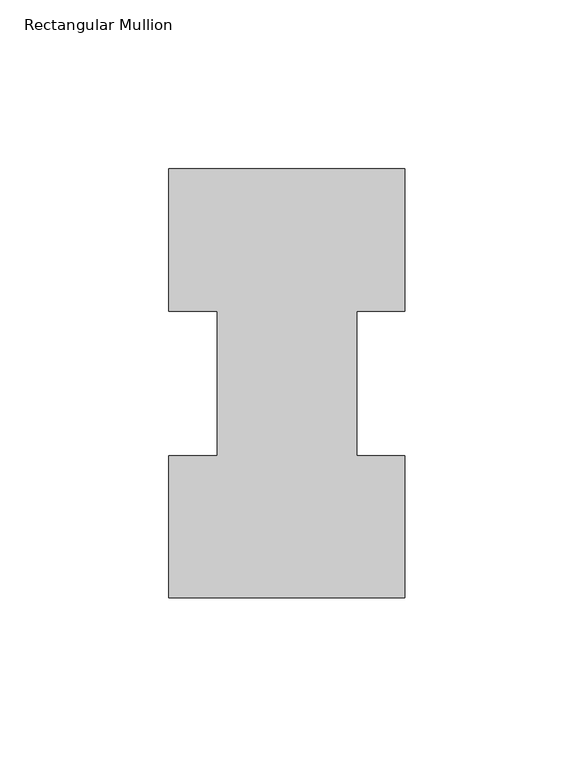
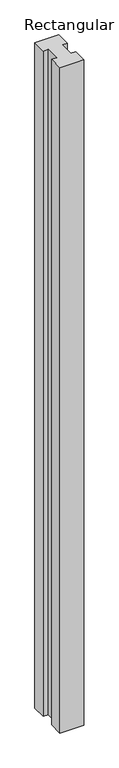
"""IFC4 building model written with IfcOpenShell, lengths in millimetres: member geometry, Rectangular Mullion."""

from ifc_helpers import new_model, si_unit, frame, origin, place, context, project, spatial, polyline, outline, extrude, source, transform, mapped, element, save


def rectangular_mullion_b89c4e11(model_context):
    return source(origin(), model_context, "Body", "SweptSolid", [
        extrude(outline(polyline([(-34.925, 126.7086938), (34.925, 126.7086938), (34.925, 84.6335938), (20.6375, 84.6335938), (20.6375, 41.7837937), (34.925, 41.7837937), (34.925, -0.2913062), (-34.925, -0.2913062), (-34.925, 41.7837937), (-20.6375, 41.7837937), (-20.6375, 84.6335938), (-34.925, 84.6335938), (-34.925, 126.7086938)])), frame((0.0, 0.0, -2057.4), z_axis=(0.0, 0.0, 1.0), x_axis=(1.0, 0.0, 0.0)), (0.0, 0.0, 1.0), 2057.4),
    ])


if __name__ == "__main__":
    model = new_model("IFC4")
    model_context = context("Model", 3, world=origin())
    ifc_project = project(units=[si_unit("LENGTHUNIT", "METRE", prefix="MILLI")], contexts=[model_context])
    site = spatial("IfcSite", under=ifc_project)
    building = spatial("IfcBuilding", under=site)
    placement = place(None, origin())
    rectangular_mullion_shape = rectangular_mullion_b89c4e11(model_context)
    element("IfcMember", 1, ObjectType="Rectangular Mullion", at=placement, inside=building, context=model_context, shape_type="MappedRepresentation", body=[
        mapped(rectangular_mullion_shape, transform((0.0, 0.0, 0.0), x_axis=(1.0, 0.0, 0.0), y_axis=(0.0, 1.0, 0.0), z_axis=(0.0, 0.0, 1.0))),
    ])
    save(model, "model.ifc")
